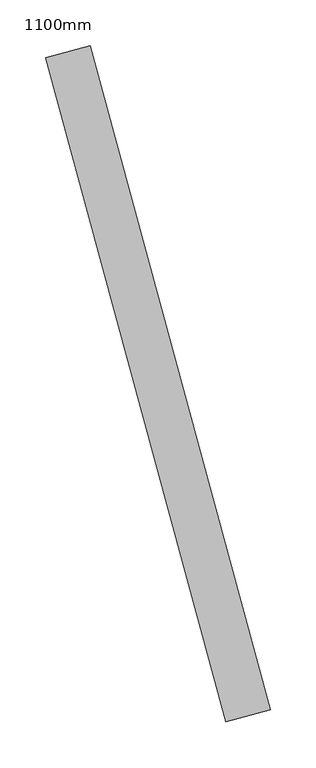
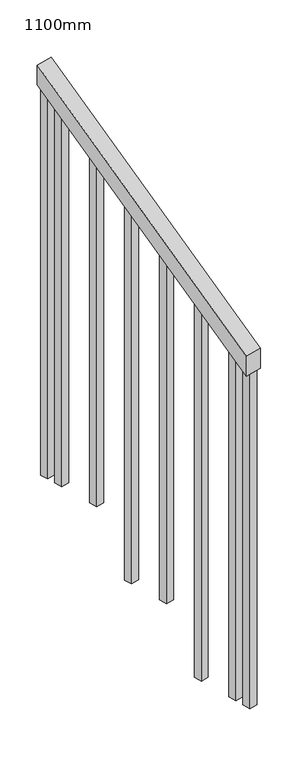
"""IFC4 building model written with IfcOpenShell, lengths in millimetres: railing geometry, 1100mm."""

from ifc_helpers import new_model, si_unit, frame, origin, place, context, project, spatial, polyline, outline, extrude, source, transform, mapped, element, save


def railing_1100mm_4f90ca37(model_context):
    return source(origin(), model_context, "Body", "SweptSolid", [
        extrude(outline(polyline([(-35.5555555, -50.0), (0.0, 0.0), (920.2958462, 0.0), (884.7402906, -50.0), (-35.5555555, -50.0)])), frame((85744.6441817, -100301.2722856, 1277.7777778), z_axis=(0.9649894123601794, 0.2622888370342049, 0.0), x_axis=(-0.21375368431596972, 0.786423259755395, 0.5795237863600143)), (0.0, 0.0, 1.0), 50.0),
        extrude(outline(polyline([(108.8888889, 0.0), (91.1111112, 25.0), (1271.980277, 25.0), (1271.980277, 0.0), (108.8888889, 0.0)])), frame((85579.6615844, -99646.6258218, 1805.3136103), z_axis=(0.9649894123601821, 0.2622888370341949, 0.0), x_axis=(0.0, 0.0, -1.0)), (0.0, 0.0, 1.0), 25.0),
        extrude(outline(polyline([(108.8888889, 0.0), (91.1111111, 25.0), (1183.0913881, 25.0), (1183.0913881, 0.0), (108.8888889, 0.0)])), frame((85612.447689, -99767.2494983, 1716.4247214), z_axis=(0.9649894123601821, 0.2622888370341949, 0.0), x_axis=(0.0, 0.0, -1.0)), (0.0, 0.0, 1.0), 25.0),
        extrude(outline(polyline([(108.8888889, 0.0), (91.1111111, 25.0), (1271.9802769, 25.0), (1271.9802769, 0.0), (108.8888889, 0.0)])), frame((85645.2337936, -99887.8731749, 1627.5358325), z_axis=(0.9649894123601821, 0.2622888370341949, 0.0), x_axis=(0.0, 0.0, -1.0)), (0.0, 0.0, 1.0), 25.0),
        extrude(outline(polyline([(108.8888889, 0.0), (91.1111111, 25.0), (1183.091388, 25.0), (1183.091388, 0.0), (108.8888889, 0.0)])), frame((85678.0198982, -100008.4968514, 1538.6469436), z_axis=(0.9649894123601821, 0.2622888370341949, 0.0), x_axis=(0.0, 0.0, -1.0)), (0.0, 0.0, 1.0), 25.0),
        extrude(outline(polyline([(108.8888889, 0.0), (91.1111111, 25.0), (1271.9802769, 25.0), (1271.9802769, 0.0), (108.8888889, 0.0)])), frame((85710.8060029, -100129.120528, 1449.7580547), z_axis=(0.9649894123601821, 0.2622888370341949, 0.0), x_axis=(0.0, 0.0, -1.0)), (0.0, 0.0, 1.0), 25.0),
        extrude(outline(polyline([(108.8888889, 0.0), (91.1111111, 25.0), (1183.091388, 25.0), (1183.091388, 0.0), (108.8888889, 0.0)])), frame((85743.5921075, -100249.7442045, 1360.8691658), z_axis=(0.9649894123601821, 0.2622888370341949, 0.0), x_axis=(0.0, 0.0, -1.0)), (0.0, 0.0, 1.0), 25.0),
        extrude(outline(polyline([(108.8888889, 0.0), (91.1111111, 25.0), (1307.5358325, 25.0), (1307.5358325, 0.0), (108.8888889, 0.0)])), frame((85566.5471425, -99598.3763512, 1840.8691658), z_axis=(0.9649894123601821, 0.2622888370341949, 0.0), x_axis=(0.0, 0.0, -1.0)), (0.0, 0.0, 1.0), 25.0),
        extrude(outline(polyline([(108.8888889, 0.0), (91.1111112, 25.0), (1147.5358325, 25.0), (1147.5358325, 0.0), (108.8888889, 0.0)])), frame((85756.7065494, -100297.9936751, 1325.3136103), z_axis=(0.9649894123601821, 0.2622888370341949, 0.0), x_axis=(0.0, 0.0, -1.0)), (0.0, 0.0, 1.0), 25.0),
    ])


if __name__ == "__main__":
    model = new_model("IFC4")
    model_context = context("Model", 3, world=origin())
    ifc_project = project(units=[si_unit("LENGTHUNIT", "METRE", prefix="MILLI")], contexts=[model_context])
    site = spatial("IfcSite", under=ifc_project)
    building = spatial("IfcBuilding", under=site)
    placement = place(None, origin())
    railing_1100mm_shape = railing_1100mm_4f90ca37(model_context)
    element("IfcRailing", 1, ObjectType="1100mm", at=placement, inside=building, context=model_context, shape_type="MappedRepresentation", body=[
        mapped(railing_1100mm_shape, transform((0.0, 0.0, 0.0), x_axis=(1.0, 0.0, 0.0), y_axis=(0.0, 1.0, 0.0), z_axis=(0.0, 0.0, 1.0))),
    ])
    save(model, "model.ifc")
